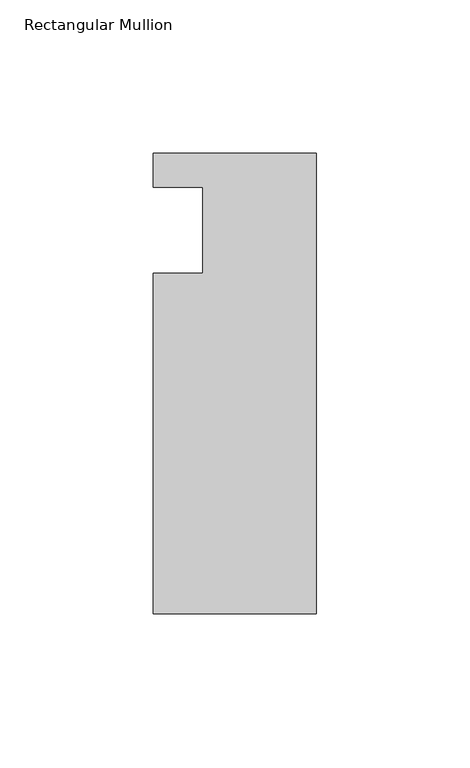
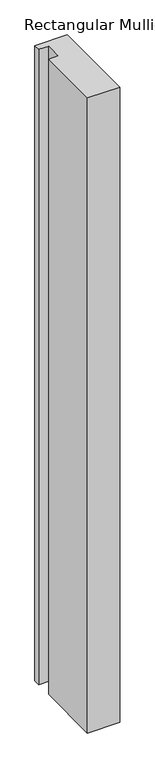
"""IFC4 building model written with IfcOpenShell, lengths in millimetres: member geometry, Rectangular Mullion."""

from ifc_helpers import new_model, si_unit, frame, origin, place, context, project, spatial, polyline, outline, extrude, source, transform, mapped, element, save


def rectangular_mullion_83dedf31(model_context):
    return source(origin(), model_context, "Body", "SweptSolid", [
        extrude(outline(polyline([(0.0, 25.0), (0.0, -125.0), (-53.0, -125.0), (-53.0, -14.0), (-37.0, -14.0), (-37.0, 14.0), (-53.0, 14.0), (-53.0, 25.0), (0.0, 25.0)])), frame((0.0, 0.0, -1108.0099627), z_axis=(0.0, 0.0, 1.0), x_axis=(1.0, 0.0, 0.0)), (0.0, 0.0, 1.0), 1108.0099627),
    ])


if __name__ == "__main__":
    model = new_model("IFC4")
    model_context = context("Model", 3, world=origin())
    ifc_project = project(units=[si_unit("LENGTHUNIT", "METRE", prefix="MILLI")], contexts=[model_context])
    site = spatial("IfcSite", under=ifc_project)
    building = spatial("IfcBuilding", under=site)
    placement = place(None, origin())
    rectangular_mullion_shape = rectangular_mullion_83dedf31(model_context)
    element("IfcMember", 1, ObjectType="Rectangular Mullion", at=placement, inside=building, context=model_context, shape_type="MappedRepresentation", body=[
        mapped(rectangular_mullion_shape, transform((0.0, 0.0, 0.0), x_axis=(1.0, 0.0, 0.0), y_axis=(0.0, 1.0, 0.0), z_axis=(0.0, 0.0, 1.0))),
    ])
    save(model, "model.ifc")
